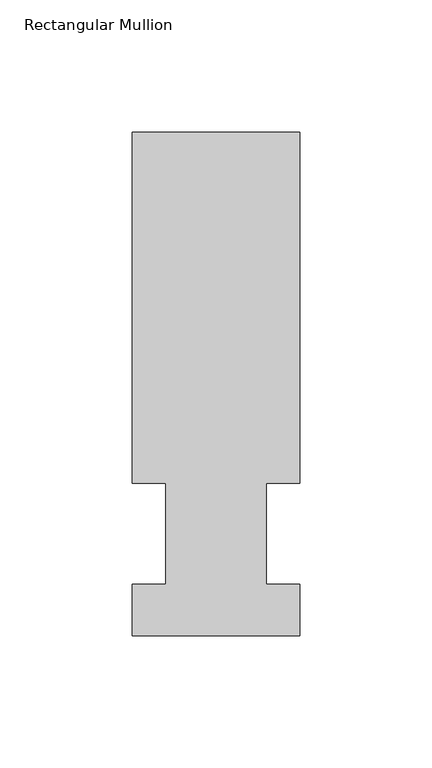
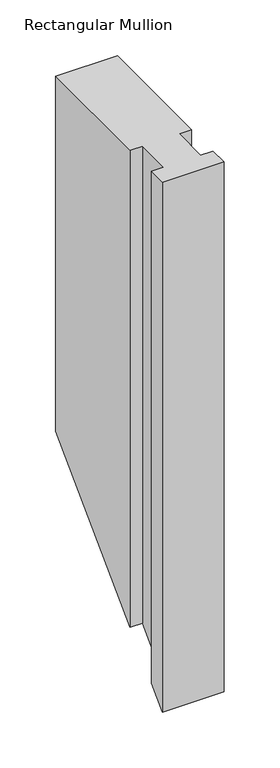
"""IFC4 building model written with IfcOpenShell, lengths in millimetres: member geometry, Rectangular Mullion."""

from ifc_helpers import new_model, si_unit, origin, place, context, project, spatial, faceted_brep, source, transform, mapped, element, save


def rectangular_mullion_c74741e9(model_context):
    return source(origin(), model_context, "Body", "Brep", [
        faceted_brep([(-63.5, 190.5896938, 0.0), (-63.5, 57.6460937, 0.0), (-50.8, 57.6460937, 0.0), (-50.8, 19.5460938, 0.0), (-63.5, 19.5460938, 0.0), (-63.5, 0.0134938, 0.0), (0.0, 0.0134938, 0.0), (0.0, 19.5460938, 0.0), (-12.6873, 19.5460938, 0.0), (-12.6873, 57.6460937, 0.0), (0.0, 57.6460937, 0.0), (0.0, 190.5896938, 0.0), (-63.5, 190.5896938, -387.2603057), (-63.5, 57.6460937, -520.2039057), (-50.8, 57.6460937, -520.2039057), (-50.8, 19.5460938, -558.3039057), (-63.5, 19.5460938, -558.3039057), (-63.5, 0.0134938, -577.8365057), (0.0, 0.0134938, -577.8365057), (0.0, 19.5460938, -558.3039057), (-12.6873, 19.5460938, -558.3039057), (-12.6873, 57.6460937, -520.2039057), (0.0, 57.6460937, -520.2039057), (0.0, 190.5896938, -387.2603057)], [[[0, 1, 2, 3, 4, 5, 6, 7, 8, 9, 10, 11]], [[1, 0, 12, 13]], [[2, 1, 13, 14]], [[3, 2, 14, 15]], [[4, 3, 15, 16]], [[5, 4, 16, 17]], [[6, 5, 17, 18]], [[7, 6, 18, 19]], [[8, 7, 19, 20]], [[9, 8, 20, 21]], [[10, 9, 21, 22]], [[11, 10, 22, 23]], [[0, 11, 23, 12]], [[12, 23, 22, 21, 20, 19, 18, 17, 16, 15, 14, 13]]]),
    ])


if __name__ == "__main__":
    model = new_model("IFC4")
    model_context = context("Model", 3, world=origin())
    ifc_project = project(units=[si_unit("LENGTHUNIT", "METRE", prefix="MILLI")], contexts=[model_context])
    site = spatial("IfcSite", under=ifc_project)
    building = spatial("IfcBuilding", under=site)
    placement = place(None, origin())
    rectangular_mullion_shape = rectangular_mullion_c74741e9(model_context)
    element("IfcMember", 1, ObjectType="Rectangular Mullion", at=placement, inside=building, context=model_context, shape_type="MappedRepresentation", body=[
        mapped(rectangular_mullion_shape, transform((0.0, 0.0, 0.0), x_axis=(1.0, 0.0, 0.0), y_axis=(0.0, 1.0, 0.0), z_axis=(0.0, 0.0, 1.0))),
    ])
    save(model, "model.ifc")
